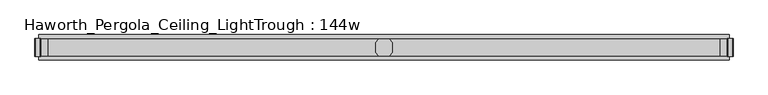
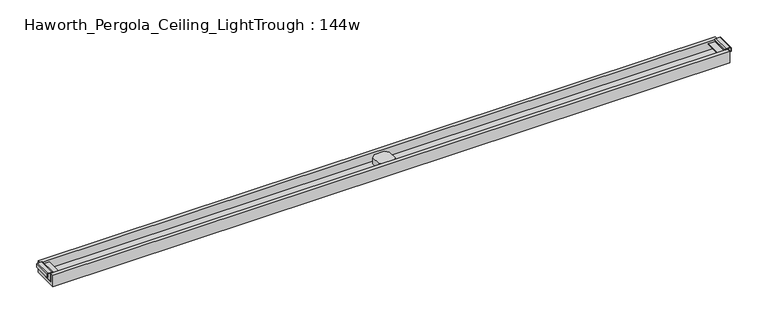
"""IFC4 building model written with IfcOpenShell, lengths in millimetres: furniture geometry, Haworth_Pergola_Ceiling_LightTrough : 144w."""

from ifc_helpers import new_model, si_unit, point, frame, frame_2d, origin, place, context, project, spatial, polyline, circle_curve, trimmed, segment, composite_curve, outline, extrude, source, transform, mapped, element, save


def haworth_pergola_ceiling_lighttrough_144w_fb86ef7f(model_context):
    return source(origin(), model_context, "Body", "SweptSolid", [
        extrude(outline(polyline([(944.8419998, 26.8840513), (962.9159515, 44.9580002), (1016.6840484, 44.9580002), (1034.7580002, 26.8840513), (1034.7580002, -26.8840485), (1016.6840484, -44.9580002), (962.9159515, -44.9580002), (944.8419998, -26.8840485), (944.8419998, 26.8840513)])), frame((0.0, 0.0, 2389.4796), z_axis=(0.0, 0.0, 1.0), x_axis=(1.0, 0.0, 0.0)), (0.0, 0.0, 1.0), 38.0999994),
        extrude(outline(composite_curve([segment(polyline([(2418.3545999, 2837.9534303), (2437.4045999, 2837.9534303)]), True, "CONTINUOUS"), segment(trimmed(circle_curve(frame_2d((2437.4045999, 2834.2934293)), 3.660001), [point((2437.4045999, 2837.9534303))], [point((2441.0646008, 2834.2934293))], False, "CARTESIAN"), True, "CONTINUOUS"), segment(polyline([(2441.0646008, 2834.2934293), (2441.0646008, 2810.8934303)]), True, "CONTINUOUS"), segment(trimmed(circle_curve(frame_2d((2437.0478931, 2811.2670697)), 4.0340485), [point((2441.0646008, 2810.8934303))], [point((2437.0478931, 2807.2330212))], False, "CARTESIAN"), True, "CONTINUOUS"), segment(polyline([(2437.0478931, 2807.2330212), (2426.6645986, 2807.2330212), (2425.6646, 2806.2330226), (2425.6646, 2770.7434301), (2423.0046, 2770.7434301), (2423.0046, 2806.2334301), (2423.0046, 2816.6999999), (2389.4796, 2816.6999999), (2389.4796, 2818.6), (2437.0478931, 2818.6), (2437.0478931, 2816.6999999), (2426.6645986, 2816.6999999), (2426.6645986, 2809.89343), (2437.0478931, 2809.89343), (2438.4045979, 2810.8934303), (2438.4045979, 2834.2934316), (2437.4045999, 2835.2934296), (2418.3545999, 2835.2934296), (2418.3545999, 2837.9534303)]), True, "CONTINUOUS")], self_intersect=False)), frame((0.0, -48.650001, 0.0), z_axis=(0.0, 1.0, 0.0), x_axis=(0.0, 0.0, 1.0)), (0.0, 0.0, 1.0), 97.3000021),
        extrude(outline(composite_curve([segment(polyline([(2418.3545999, -858.3534303), (2418.3545999, -855.6934296), (2437.4045999, -855.6934296), (2438.4045979, -854.6934316), (2438.4045979, -831.2934303), (2437.0478931, -830.29343), (2426.6645986, -830.29343), (2426.6645986, -837.1), (2437.0478931, -837.1), (2437.0478931, -839.0), (2389.4796, -839.0), (2389.4796, -837.1), (2423.0046, -837.1), (2423.0046, -826.6334301), (2423.0046, -791.1434301), (2425.6646, -791.1434301), (2425.6646, -826.6330226), (2426.6645986, -827.6330212), (2437.0478931, -827.6330212)]), True, "CONTINUOUS"), segment(trimmed(circle_curve(frame_2d((2437.0478931, -831.6670697)), 4.0340485), [point((2437.0478931, -827.6330212))], [point((2441.0646008, -831.2934303))], False, "CARTESIAN"), True, "CONTINUOUS"), segment(polyline([(2441.0646008, -831.2934303), (2441.0646008, -854.6934294)]), True, "CONTINUOUS"), segment(trimmed(circle_curve(frame_2d((2437.4045999, -854.6934294)), 3.660001), [point((2441.0646008, -854.6934294))], [point((2437.4045999, -858.3534303))], False, "CARTESIAN"), True, "CONTINUOUS"), segment(polyline([(2437.4045999, -858.3534303), (2418.3545999, -858.3534303)]), True, "CONTINUOUS")], self_intersect=False)), frame((0.0, -48.650001, 0.0), z_axis=(0.0, 1.0, 0.0), x_axis=(0.0, 0.0, 1.0)), (0.0, 0.0, 1.0), 97.3000021),
        extrude(outline(polyline([(67.700001, 2370.4296), (-67.700001, 2370.4296), (-67.700001, 2437.0478931), (-48.650001, 2437.0478931), (-48.650001, 2389.4796), (48.650001, 2389.4796), (48.650001, 2437.0478931), (67.700001, 2437.0478931), (67.700001, 2370.4296)])), frame((-839.0, 0.0, 0.0), z_axis=(1.0, 0.0, 0.0), x_axis=(0.0, 1.0, 0.0)), (0.0, 0.0, 1.0), 3657.6),
    ])


if __name__ == "__main__":
    model = new_model("IFC4")
    model_context = context("Model", 3, world=origin())
    ifc_project = project(units=[si_unit("LENGTHUNIT", "METRE", prefix="MILLI")], contexts=[model_context])
    site = spatial("IfcSite", under=ifc_project)
    building = spatial("IfcBuilding", under=site)
    placement = place(None, origin())
    haworth_pergola_ceiling_lighttrough_144w_shape = haworth_pergola_ceiling_lighttrough_144w_fb86ef7f(model_context)
    element("IfcFurniture", 1, ObjectType="Haworth_Pergola_Ceiling_LightTrough : 144w", at=placement, inside=building, context=model_context, shape_type="MappedRepresentation", body=[
        mapped(haworth_pergola_ceiling_lighttrough_144w_shape, transform((0.0, 0.0, 0.0), x_axis=(1.0, 0.0, 0.0), y_axis=(0.0, 1.0, 0.0), z_axis=(0.0, 0.0, 1.0))),
    ])
    save(model, "model.ifc")
